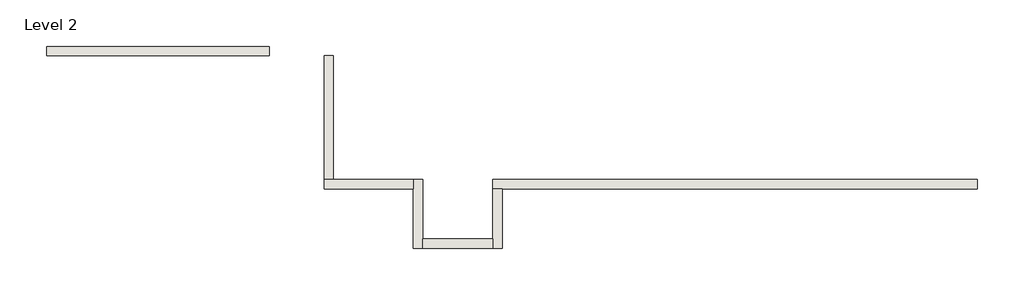
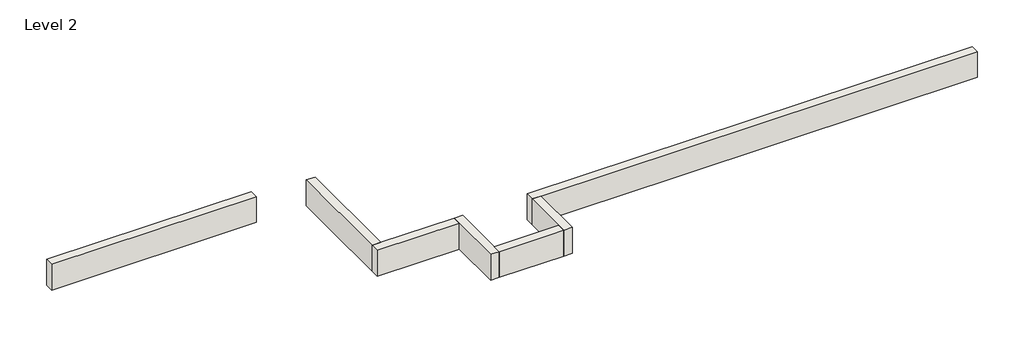
# One storey: 7 walls.
"""IFC4 building model written with IfcOpenShell, lengths in millimetres."""

from ifc_helpers import new_model, si_unit, frame, origin, place, context, project, spatial, polyline, outline, extrude, faceted_brep, element, save

model = new_model("IFC4")

# Units and contexts
model_context = context("Model", 3, world=origin())
ifc_project = project(units=[si_unit("LENGTHUNIT", "METRE", prefix="MILLI")], contexts=[model_context])

# Site, building, storey
site = spatial("IfcSite", under=ifc_project)
building = spatial("IfcBuilding", under=site)
storey = spatial("IfcBuildingStorey", under=building, Name="Level 2", Elevation=3048.0)

# Walls
placement = place(None, origin())
element("IfcWall", 1, ObjectType="Generic - 8\" Brick", at=placement, inside=storey, context=model_context, shape_type="Brep", body=[
    faceted_brep([(11582.3578574, 1412.8726187, 3048.0), (4876.757857, 1412.8726187, 3048.0), (3657.557857, 1412.8726187, 3048.0), (1635.0852383, 1412.8726187, 3048.0), (1635.0852383, 1412.8726187, 3657.6), (11582.3578574, 1412.8726187, 3657.6), (11582.3578574, 1219.1976187, 3048.0), (11582.3578574, 1219.1976187, 3657.6), (1828.7602383, 1219.1976187, 3657.6), (1635.0852383, 1219.1976187, 3657.6), (1635.0852383, 1219.1976187, 3048.0), (1828.7602383, 1219.1976187, 3048.0), (3657.557857, 1219.1976187, 3048.0), (4876.757857, 1219.1976187, 3048.0)], [[[0, 1, 2, 3, 4, 5]], [[6, 7, 8, 9, 10, 11, 12, 13]], [[3, 2, 1, 0, 6, 13, 12, 11, 10]], [[5, 4, 9, 8, 7]], [[0, 5, 7, 6]], [[4, 3, 10, 9]]]),
])
element("IfcWall", 2, ObjectType="Generic - 8\" Brick", at=placement, inside=storey, context=model_context, shape_type="Brep", body=[
    faceted_brep([(1635.0852383, 1219.1976187, 3048.0), (1635.0852383, 193.675, 3048.0), (1635.0852383, 0.0, 3048.0), (1635.0852383, 0.0, 3657.6), (1635.0852383, 193.675, 3657.6), (1635.0852383, 1219.1976187, 3657.6), (1828.7602383, 1219.1976187, 3048.0), (1828.7602383, 1219.1976187, 3657.6), (1828.7602383, 0.0, 3657.6), (1828.7602383, 0.0, 3048.0)], [[[0, 1, 2, 3, 4, 5]], [[6, 7, 8, 9]], [[2, 1, 0, 6, 9]], [[5, 4, 3, 8, 7]], [[0, 5, 7, 6]], [[3, 2, 9, 8]]]),
])
element("IfcWall", 3, ObjectType="Generic - 8\" Brick", at=placement, inside=storey, context=model_context, shape_type="SweptSolid", body=[
    extrude(outline(polyline([(193.632857, 193.675), (1635.0852383, 193.675), (1635.0852383, 0.0), (193.632857, 0.0), (193.632857, 193.675)])), frame((0.0, 0.0, 3048.0), z_axis=(0.0, 0.0, 1.0), x_axis=(1.0, 0.0, 0.0)), (0.0, 0.0, 1.0), 609.6),
])
element("IfcWall", 4, ObjectType="Generic - 8\" Brick", at=placement, inside=storey, context=model_context, shape_type="Brep", body=[
    faceted_brep([(193.632857, 0.0, 3048.0), (193.632857, 193.675, 3048.0), (193.632857, 1412.8726187, 3048.0), (193.632857, 1412.8726187, 3657.6), (193.632857, 193.675, 3657.6), (193.632857, 0.0, 3657.6), (-0.042143, 0.0, 3048.0), (-0.042143, 0.0, 3657.6), (-0.042143, 1219.1976187, 3657.6), (-0.042143, 1412.8726187, 3657.6), (-0.042143, 1412.8726187, 3048.0), (-0.042143, 1219.1976187, 3048.0)], [[[0, 1, 2, 3, 4, 5]], [[6, 7, 8, 9, 10, 11]], [[2, 1, 0, 6, 11, 10]], [[5, 4, 3, 9, 8, 7]], [[0, 5, 7, 6]], [[3, 2, 10, 9]]]),
])
element("IfcWall", 5, ObjectType="Generic - 8\" Brick", at=placement, inside=storey, context=model_context, shape_type="Brep", body=[
    faceted_brep([(-0.042143, 1412.8726187, 3048.0), (-1635.135393, 1412.8726187, 3048.0), (-1828.810393, 1412.8726187, 3048.0), (-1828.810393, 1412.8726187, 3657.6), (-1635.135393, 1412.8726187, 3657.6), (-0.042143, 1412.8726187, 3657.6), (-0.042143, 1219.1976187, 3048.0), (-0.042143, 1219.1976187, 3657.6), (-1828.810393, 1219.1976187, 3657.6), (-1828.810393, 1219.1976187, 3048.0)], [[[0, 1, 2, 3, 4, 5]], [[6, 7, 8, 9]], [[2, 1, 0, 6, 9]], [[5, 4, 3, 8, 7]], [[0, 5, 7, 6]], [[3, 2, 9, 8]]]),
])
element("IfcWall", 6, ObjectType="Generic - 8\" Brick", at=placement, inside=storey, context=model_context, shape_type="Brep", body=[
    faceted_brep([(-1635.135393, 1412.8726187, 3048.0), (-1635.135393, 3047.96825, 3048.0), (-1635.135393, 3957.5588187, 3048.0), (-1635.135393, 3957.5588187, 3657.6), (-1635.135393, 1412.8726187, 3657.6), (-1828.810393, 1412.8726187, 3048.0), (-1828.810393, 1412.8726187, 3657.6), (-1828.810393, 3957.5588187, 3657.6), (-1828.810393, 3957.5588187, 3048.0), (-1828.810393, 3047.96825, 3048.0)], [[[0, 1, 2, 3, 4]], [[5, 6, 7, 8, 9]], [[2, 1, 0, 5, 9, 8]], [[4, 3, 7, 6]], [[0, 4, 6, 5]], [[3, 2, 8, 7]]]),
])
element("IfcWall", 7, ObjectType="Generic - 8\" Brick", at=placement, inside=storey, context=model_context, shape_type="SweptSolid", body=[
    extrude(outline(polyline([(-7523.172893, 4151.2338187), (-2951.172893, 4151.2338187), (-2951.172893, 3957.5588187), (-7523.172893, 3957.5588187), (-7523.172893, 4151.2338187)])), frame((0.0, 0.0, 3048.0), z_axis=(0.0, 0.0, 1.0), x_axis=(1.0, 0.0, 0.0)), (0.0, 0.0, 1.0), 609.6),
])

save(model, "model.ifc")
